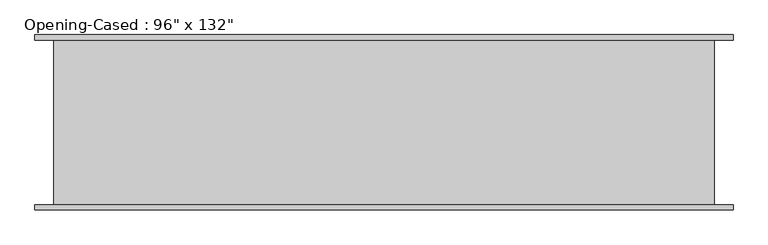
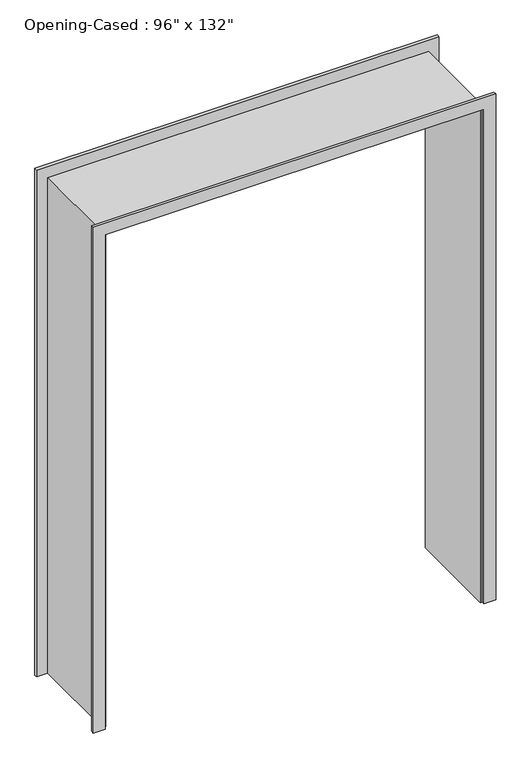
"""IFC4 building model written with IfcOpenShell, lengths in millimetres: proxy geometry."""

from ifc_helpers import new_model, si_unit, frame, origin, place, context, project, spatial, polyline, outline, extrude, faceted_brep, source, transform, mapped, element, save


def proxy_cc5a9e73(model_context):
    return source(origin(), model_context, "Body", "SolidModel", [
        extrude(outline(polyline([(0.0, -1221.0386567), (3346.45, -1221.0386567), (3346.45, 1204.6613433), (0.0, 1204.6613433), (0.0, 1280.8613433), (3422.65, 1280.8613433), (3422.65, -1297.2386567), (0.0, -1297.2386567), (0.0, -1221.0386567)])), frame((0.0, -323.85, 0.0), z_axis=(0.0, 1.0, 0.0), x_axis=(0.0, 0.0, 1.0)), (0.0, 0.0, 1.0), 19.05),
        extrude(outline(polyline([(0.0, 1280.8613433), (3429.0, 1280.8613433), (3429.0, -1297.2386567), (0.0, -1297.2386567), (0.0, -1221.0386567), (3346.45, -1221.0386567), (3346.45, 1204.6613433), (0.0, 1204.6613433), (0.0, 1280.8613433)])), frame((0.0, 304.8, 0.0), z_axis=(0.0, 1.0, 0.0), x_axis=(0.0, 0.0, 1.0)), (0.0, 0.0, 1.0), 19.05),
        faceted_brep([(1191.9613433, 304.8, 0.0), (1211.0113433, 304.8, 0.0), (1211.0113433, -304.8, 0.0), (1191.9613433, -304.8, 0.0), (1191.9613433, 304.8, 3333.75), (1211.0113433, 304.8, 3352.8), (1211.0113433, -304.8, 3352.8), (1191.9613433, -304.8, 3333.75), (-1208.3386567, 304.8, 3333.75), (-1227.3886567, 304.8, 3352.8), (-1227.3886567, -304.8, 3352.8), (-1208.3386567, -304.8, 3333.75), (-1208.3386567, 304.8, 0.0), (-1208.3386567, -304.8, 0.0), (-1227.3886567, -304.8, 0.0), (-1227.3886567, 304.8, 0.0)], [[[0, 1, 2, 3]], [[1, 0, 4, 5]], [[2, 1, 5, 6]], [[3, 2, 6, 7]], [[0, 3, 7, 4]], [[5, 4, 8, 9]], [[6, 5, 9, 10]], [[7, 6, 10, 11]], [[4, 7, 11, 8]], [[12, 13, 14, 15]], [[9, 8, 12, 15]], [[10, 9, 15, 14]], [[11, 10, 14, 13]], [[8, 11, 13, 12]]]),
    ])


if __name__ == "__main__":
    model = new_model("IFC4")
    model_context = context("Model", 3, world=origin())
    ifc_project = project(units=[si_unit("LENGTHUNIT", "METRE", prefix="MILLI")], contexts=[model_context])
    site = spatial("IfcSite", under=ifc_project)
    building = spatial("IfcBuilding", under=site)
    placement = place(None, origin())
    proxy_shape = proxy_cc5a9e73(model_context)
    element("IfcBuildingElementProxy", 1, Name="Opening-Cased : 96\" x 132\"", ObjectType="Opening-Cased : 96\" x 132\"", at=placement, inside=building, context=model_context, shape_type="MappedRepresentation", body=[
        mapped(proxy_shape, transform((0.0, 0.0, 0.0), x_axis=(1.0, 0.0, 0.0), y_axis=(0.0, 1.0, 0.0), z_axis=(0.0, 0.0, 1.0))),
    ])
    save(model, "model.ifc")
